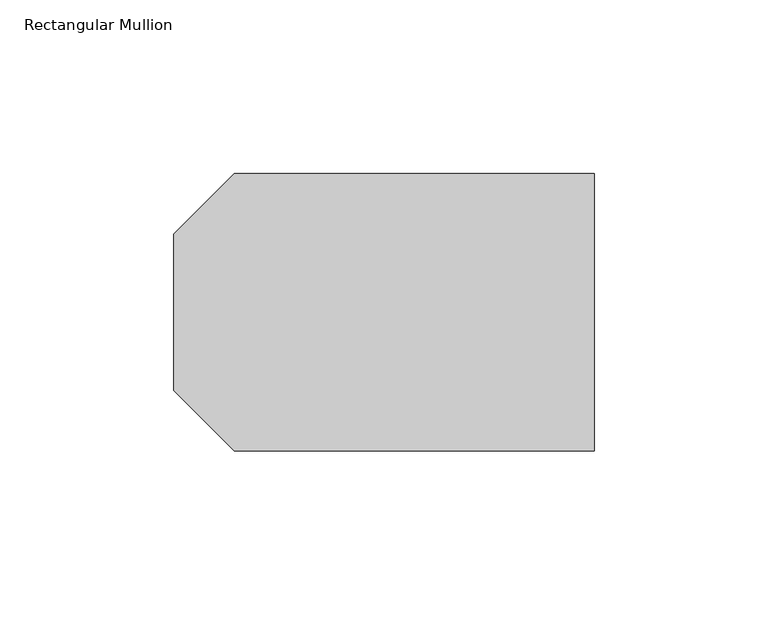
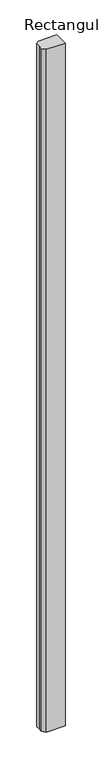
"""IFC4 building model written with IfcOpenShell, lengths in millimetres: member geometry, Rectangular Mullion."""

from ifc_helpers import new_model, si_unit, frame, origin, place, context, project, spatial, polyline, outline, extrude, source, transform, mapped, element, save


def rectangular_mullion_5de51d79(model_context):
    return source(origin(), model_context, "Body", "SweptSolid", [
        extrude(outline(polyline([(-121.0, 22.5), (-103.597438, 39.902562), (0.0, 39.902562), (0.0, -39.902562), (-103.597438, -39.902562), (-121.0, -22.5), (-121.0, 0.0), (-121.0, 22.5)])), frame((0.0, 0.0, -4000.0), z_axis=(0.0, 0.0, 1.0), x_axis=(1.0, 0.0, 0.0)), (0.0, 0.0, 1.0), 4000.0),
    ])


if __name__ == "__main__":
    model = new_model("IFC4")
    model_context = context("Model", 3, world=origin())
    ifc_project = project(units=[si_unit("LENGTHUNIT", "METRE", prefix="MILLI")], contexts=[model_context])
    site = spatial("IfcSite", under=ifc_project)
    building = spatial("IfcBuilding", under=site)
    placement = place(None, origin())
    rectangular_mullion_shape = rectangular_mullion_5de51d79(model_context)
    element("IfcMember", 1, ObjectType="Rectangular Mullion", at=placement, inside=building, context=model_context, shape_type="MappedRepresentation", body=[
        mapped(rectangular_mullion_shape, transform((0.0, 0.0, 0.0), x_axis=(1.0, 0.0, 0.0), y_axis=(0.0, 1.0, 0.0), z_axis=(0.0, 0.0, 1.0))),
    ])
    save(model, "model.ifc")
